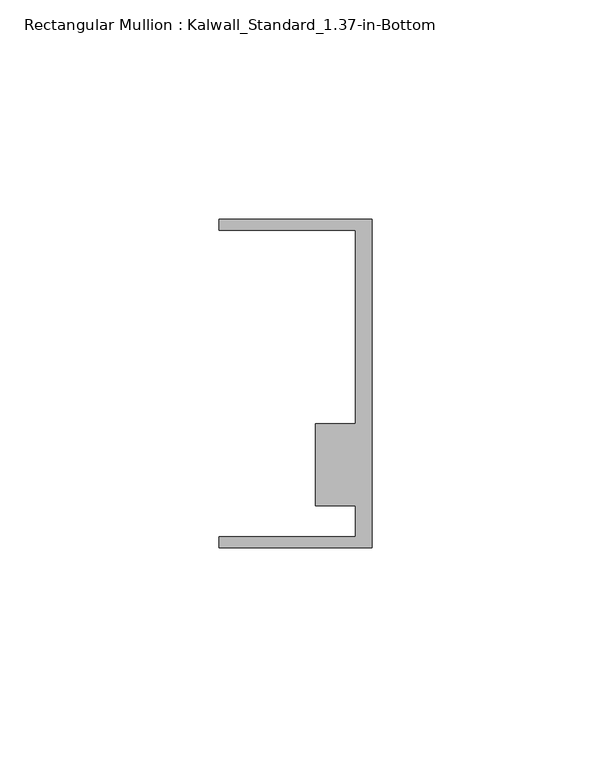
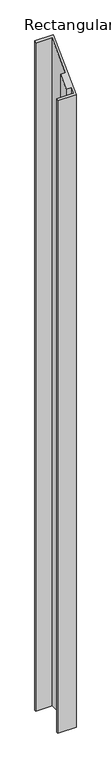
"""IFC4 building model written with IfcOpenShell, lengths in millimetres: member geometry, Rectangular Mullion : Kalwall_Standard_1.37-in-Bottom."""

from ifc_helpers import new_model, si_unit, origin, place, context, project, spatial, faceted_brep, source, transform, mapped, element, save


def rectangular_mullion_kalwall_standard_1_37_in_bottom_6e77ee26(model_context):
    return source(origin(), model_context, "Body", "Brep", [
        faceted_brep([(0.0, -37.5776386, -1309.7520003), (-34.925, -37.5776386, -1309.7520003), (-34.925, -35.0376386, -1309.7520003), (-3.7084, -35.0376386, -1309.7520003), (-3.7084, -27.8888568, -1309.7520003), (-12.8272539, -27.8888568, -1309.7520003), (-12.8272539, -9.1879886, -1309.7520003), (-3.7084, -9.1879886, -1309.7520003), (-3.7084, 34.9623614, -1309.7520003), (-34.925, 34.9623614, -1309.7520003), (-34.925, 37.5023614, -1309.7520003), (0.0, 37.5023614, -1309.7520003), (0.0, 37.5023614, 37.5023614), (0.0, -37.5776386, -37.5776386), (-34.925, 37.5023614, 37.5023614), (-34.925, 34.9623614, 34.9623614), (-3.7084, 34.9623614, 34.9623614), (-3.7084, -9.1879886, -9.1879886), (-12.8272539, -9.1879886, -9.1879886), (-12.8272539, -27.8888568, -27.8888568), (-3.7084, -27.8888568, -27.8888568), (-3.7084, -35.0376386, -35.0376386), (-34.925, -35.0376386, -35.0376386), (-34.925, -37.5776386, -37.5776386)], [[[0, 1, 2, 3, 4, 5, 6, 7, 8, 9, 10, 11]], [[12, 13, 0, 11]], [[14, 12, 11, 10]], [[15, 14, 10, 9]], [[16, 15, 9, 8]], [[17, 16, 8, 7]], [[18, 17, 7, 6]], [[19, 18, 6, 5]], [[20, 19, 5, 4]], [[21, 20, 4, 3]], [[22, 21, 3, 2]], [[23, 22, 2, 1]], [[13, 23, 1, 0]], [[13, 12, 14, 15, 16, 17, 18, 19, 20, 21, 22, 23]]]),
    ])


if __name__ == "__main__":
    model = new_model("IFC4")
    model_context = context("Model", 3, world=origin())
    ifc_project = project(units=[si_unit("LENGTHUNIT", "METRE", prefix="MILLI")], contexts=[model_context])
    site = spatial("IfcSite", under=ifc_project)
    building = spatial("IfcBuilding", under=site)
    placement = place(None, origin())
    rectangular_mullion_kalwall_standard_1_37_in_bottom_shape = rectangular_mullion_kalwall_standard_1_37_in_bottom_6e77ee26(model_context)
    element("IfcMember", 1, ObjectType="Rectangular Mullion : Kalwall_Standard_1.37-in-Bottom", at=placement, inside=building, context=model_context, shape_type="MappedRepresentation", body=[
        mapped(rectangular_mullion_kalwall_standard_1_37_in_bottom_shape, transform((0.0, 0.0, 0.0), x_axis=(1.0, 0.0, 0.0), y_axis=(0.0, 1.0, 0.0), z_axis=(0.0, 0.0, 1.0))),
    ])
    save(model, "model.ifc")
